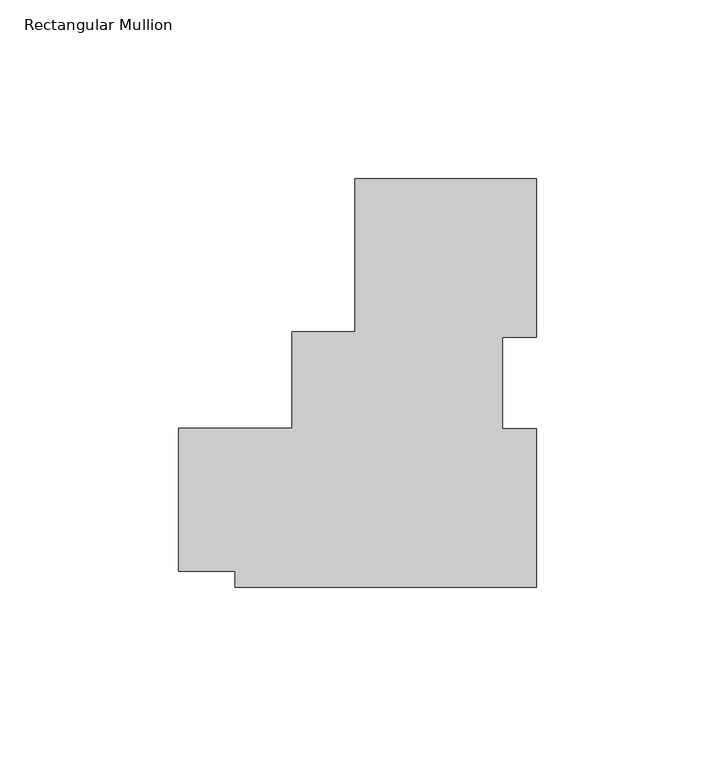
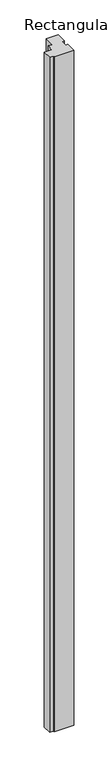
"""IFC4 building model written with IfcOpenShell, lengths in millimetres: member geometry, Rectangular Mullion."""

import ifcopenshell
import ifcopenshell.guid

model = None  # the IFC model being written
_history = None  # IfcOwnerHistory: only IFC2X3 demands one
_inside = {}  # id of a spatial element -> (the spatial element, [elements in it])
_under = {}  # id of a project, library or spatial element -> (it, [spatial elements below it])
_declared = {}  # id of a project -> (the project, [libraries it declares])
_typed = {}  # id of a type object -> (the type object, [elements of that type])
_made_of = {}  # id of a material, layer set ... -> (it, [elements and type objects made of it])


def new_model(schema):
    """Start an empty IFC model of exactly this schema.

    Asked for "IFC4X3", IfcOpenShell would pick the latest addendum, in which some entities
    have other attributes; the version numbers below select the first issue.
    IFC2X3 requires an IfcOwnerHistory on every rooted entity: one is made here for all.
    """
    global model, _history
    if schema == "IFC4X3":
        model = ifcopenshell.file(schema_version=(4, 3, 0, 0))
    else:
        model = ifcopenshell.file(schema=schema)
    _inside.clear()
    _under.clear()
    _declared.clear()
    _typed.clear()
    _made_of.clear()
    _history = None
    if model.schema == "IFC2X3":
        org = make("IfcOrganization", Name="unknown")
        user = make(
            "IfcPersonAndOrganization",
            ThePerson=make("IfcPerson", FamilyName="unknown"),
            TheOrganization=org,
        )
        app = make(
            "IfcApplication",
            ApplicationDeveloper=org,
            Version="unknown",
            ApplicationFullName="unknown",
            ApplicationIdentifier="unknown",
        )
        _history = make(
            "IfcOwnerHistory",
            OwningUser=user,
            OwningApplication=app,
            ChangeAction="ADDED",
            CreationDate=0,
        )
    return model


def make(cls, **values):
    """One entity of the class cls with the attributes given. An attribute that is None is left unset."""
    return model.create_entity(
        cls, **{name: value for name, value in values.items() if value is not None}
    )


def rooted(cls, **values):
    """An entity with a GlobalId (a new one), such as an element, a storey or a relation."""
    return make(cls, GlobalId=ifcopenshell.guid.new(), OwnerHistory=_history, **values)


def si_unit(unit_type, name, prefix=None):
    """IfcSIUnit, for example si_unit("LENGTHUNIT", "METRE", prefix="MILLI")."""
    return make("IfcSIUnit", UnitType=unit_type, Prefix=prefix, Name=name)


def assignment(units):
    """IfcUnitAssignment: the units of a project."""
    return None if units is None else make("IfcUnitAssignment", Units=units)


def point(xyz):
    """IfcCartesianPoint."""
    return None if xyz is None else make("IfcCartesianPoint", Coordinates=xyz)


def direction(xyz):
    """IfcDirection."""
    return None if xyz is None else make("IfcDirection", DirectionRatios=xyz)


def frame(location, z_axis=None, x_axis=None):
    """IfcAxis2Placement3D, a coordinate frame: its origin and axes. An axis left out is left unset."""
    return make(
        "IfcAxis2Placement3D",
        Location=point(location),
        Axis=direction(z_axis),
        RefDirection=direction(x_axis),
    )


def origin():
    """The frame at (0, 0, 0) with its axes left unset."""
    return frame((0.0, 0.0, 0.0))


def place(relative_to, where):
    """IfcLocalPlacement: puts the frame where relative to a parent placement (None: the world)."""
    return make(
        "IfcLocalPlacement", PlacementRelTo=relative_to, RelativePlacement=where
    )


def context(
    kind, dimensions, precision=None, world=None, true_north=None, identifier=None
):
    """IfcGeometricRepresentationContext, for example the 3D "Model" context."""
    return make(
        "IfcGeometricRepresentationContext",
        ContextIdentifier=identifier,
        ContextType=kind,
        CoordinateSpaceDimension=dimensions,
        Precision=precision,
        WorldCoordinateSystem=world,
        TrueNorth=true_north,
    )


def project(units=None, contexts=None):
    """IfcProject with its units and contexts."""
    return rooted(
        "IfcProject",
        Name="project",
        RepresentationContexts=contexts,
        UnitsInContext=assignment(units),
    )


def spatial(cls, under=None, at=None, **own):
    """A site, building, storey or space (cls), placed at a placement, below another one or the project."""
    s = rooted(cls, ObjectPlacement=at, **own)
    if under is not None:
        _under.setdefault(under.id(), (under, []))[1].append(s)
    return s


def polyline(points):
    """IfcPolyline through the points."""
    return make("IfcPolyline", Points=[point(p) for p in points])


def outline(outer, holes=None, kind="AREA"):
    """IfcArbitraryClosedProfileDef: a profile drawn as a closed curve; with holes, ...WithVoids."""
    if holes is None:
        return make("IfcArbitraryClosedProfileDef", ProfileType=kind, OuterCurve=outer)
    return make(
        "IfcArbitraryProfileDefWithVoids",
        ProfileType=kind,
        OuterCurve=outer,
        InnerCurves=holes,
    )


def extrude(swept, where, along, depth):
    """IfcExtrudedAreaSolid: the profile swept, set in the frame where, extruded along a direction by depth."""
    return make(
        "IfcExtrudedAreaSolid",
        SweptArea=swept,
        Position=where,
        ExtrudedDirection=direction(along),
        Depth=depth,
    )


def shape(context_of_items, identifier, shape_type, items):
    """IfcShapeRepresentation: the items that make up one representation, for example the "Body"."""
    return make(
        "IfcShapeRepresentation",
        ContextOfItems=context_of_items,
        RepresentationIdentifier=identifier,
        RepresentationType=shape_type,
        Items=items,
    )


def source(mapping_origin, context_of_items, identifier, shape_type, items):
    """IfcRepresentationMap: a shape defined once, which mapped items show again and again."""
    return make(
        "IfcRepresentationMap",
        MappingOrigin=mapping_origin,
        MappedRepresentation=shape(context_of_items, identifier, shape_type, items),
    )


def transform(
    local_origin,
    x_axis=None,
    y_axis=None,
    z_axis=None,
    scale=None,
    scale2=None,
    scale3=None,
    uniform=True,
):
    """IfcCartesianTransformationOperator3D, or its non-uniform kind. x_axis, y_axis, z_axis: its Axis1, 2, 3."""
    if uniform:
        return make(
            "IfcCartesianTransformationOperator3D",
            Axis1=direction(x_axis),
            Axis2=direction(y_axis),
            LocalOrigin=point(local_origin),
            Scale=scale,
            Axis3=direction(z_axis),
        )
    return make(
        "IfcCartesianTransformationOperator3DnonUniform",
        Axis1=direction(x_axis),
        Axis2=direction(y_axis),
        LocalOrigin=point(local_origin),
        Scale=scale,
        Axis3=direction(z_axis),
        Scale2=scale2,
        Scale3=scale3,
    )


def mapped(mapping_source, mapping_target):
    """IfcMappedItem: shows the shape of a source again, moved by a transform."""
    return make(
        "IfcMappedItem", MappingSource=mapping_source, MappingTarget=mapping_target
    )


def made_of(thing, what):
    """Note that an element or type object is made of a material, layer set ...; save() writes the relation."""
    if what is not None:
        _made_of.setdefault(what.id(), (what, []))[1].append(thing)
    return thing


def element(
    cls,
    number,
    at=None,
    inside=None,
    cuts=None,
    type_object=None,
    material=None,
    context=None,
    identifier="Body",
    shape_type=None,
    held_by="IfcProductDefinitionShape",
    body=None,
    shapes=None,
    **own,
):
    """One element of the class cls, such as IfcWall. Its Tag is "e" and its number.

    at: its placement. inside: the storey or other place that contains it. cuts: it is an
    opening in that element (IfcRelVoidsElement). A single representation is given by context,
    identifier, shape_type and body (its items); several are given by shapes. held_by: the class
    of the entity that holds the representations. save() writes the other relations.
    """
    e = rooted(cls, Tag="e%d" % number, ObjectPlacement=at, **own)
    if body is not None:
        shapes = [shape(context, identifier, shape_type, body)]
    if shapes is not None:
        e.Representation = make(held_by, Representations=shapes)
    if inside is not None:
        _inside.setdefault(inside.id(), (inside, []))[1].append(e)
    if cuts is not None:
        rooted(
            "IfcRelVoidsElement", RelatingBuildingElement=cuts, RelatedOpeningElement=e
        )
    if type_object is not None:
        _typed.setdefault(type_object.id(), (type_object, []))[1].append(e)
    return made_of(e, material)


def aggregate(whole, parts):
    """IfcRelAggregates: a whole, such as a stair, and the parts it consists of."""
    return rooted("IfcRelAggregates", RelatingObject=whole, RelatedObjects=parts)


def save(model, path):
    """Write the relations noted so far, then the file.

    IfcRelAggregates (storeys below a building ...), IfcRelContainedInSpatialStructure (elements
    in a storey), IfcRelDefinesByType, IfcRelAssociatesMaterial and IfcRelDeclares: one each for
    every whole, place, type object, material and project.
    """
    for whole, parts in _under.values():
        aggregate(whole, parts)
    for where, things in _inside.values():
        rooted(
            "IfcRelContainedInSpatialStructure",
            RelatedElements=things,
            RelatingStructure=where,
        )
    for kind, things in _typed.values():
        rooted("IfcRelDefinesByType", RelatedObjects=things, RelatingType=kind)
    for what, things in _made_of.values():
        rooted("IfcRelAssociatesMaterial", RelatedObjects=things, RelatingMaterial=what)
    for by, libraries in _declared.values():
        rooted("IfcRelDeclares", RelatingContext=by, RelatedDefinitions=libraries)
    model.write(path)


def rectangular_mullion_af469a5d(model_context):
    return source(origin(), model_context, "Body", "SweptSolid", [
        extrude(outline(polyline([(-50.8, 49.9618), (0.0, 49.9618), (0.0, 5.5593731), (-9.525, 5.5593731), (-9.525, -19.9283252), (0.0, -19.9283252), (0.0, -64.3555885), (-84.2488106, -64.3555885), (-84.2488106, -59.9007985), (-100.122901, -59.9007985), (-100.122901, -19.895693), (-68.3747311, -19.895693), (-68.3747311, 7.0993), (-50.8, 7.0993), (-50.8, 49.9618)])), frame((0.0, 0.0, -3048.0), z_axis=(0.0, 0.0, 1.0), x_axis=(1.0, 0.0, 0.0)), (0.0, 0.0, 1.0), 3048.0),
    ])


if __name__ == "__main__":
    model = new_model("IFC4")
    model_context = context("Model", 3, world=origin())
    ifc_project = project(units=[si_unit("LENGTHUNIT", "METRE", prefix="MILLI")], contexts=[model_context])
    site = spatial("IfcSite", under=ifc_project)
    building = spatial("IfcBuilding", under=site)
    placement = place(None, origin())
    rectangular_mullion_shape = rectangular_mullion_af469a5d(model_context)
    element("IfcMember", 1, ObjectType="Rectangular Mullion", at=placement, inside=building, context=model_context, shape_type="MappedRepresentation", body=[
        mapped(rectangular_mullion_shape, transform((0.0, 0.0, 0.0), x_axis=(1.0, 0.0, 0.0), y_axis=(0.0, 1.0, 0.0), z_axis=(0.0, 0.0, 1.0))),
    ])
    save(model, "model.ifc")
